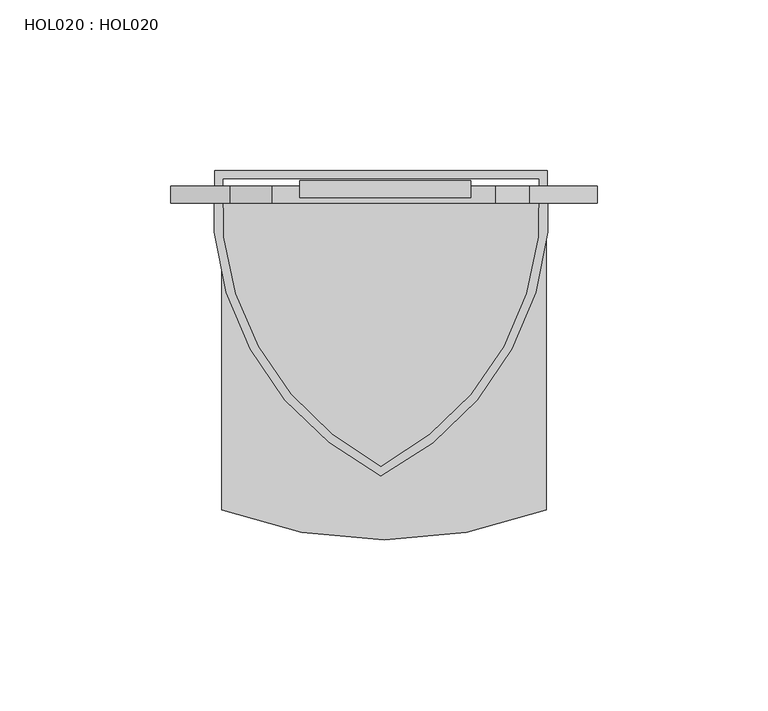
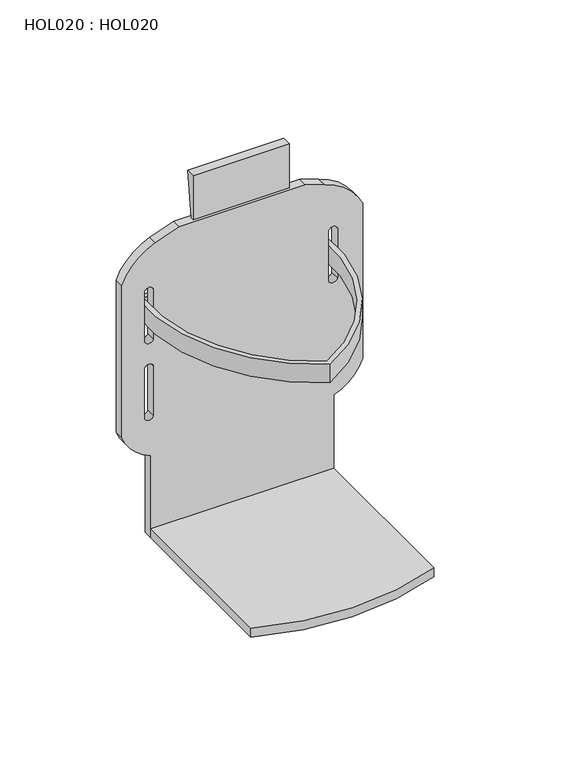
"""IFC4 building model written with IfcOpenShell, lengths in millimetres: proxy geometry, HOL020 : HOL020."""

from ifc_helpers import new_model, si_unit, point, frame, frame_2d, origin, place, context, project, spatial, polyline, circle_curve, trimmed, segment, composite_curve, outline, extrude, source, transform, mapped, element, save


def hol020_hol020_4b4f6fa3(model_context):
    return source(origin(), model_context, "Body", "SweptSolid", [
        extrude(outline(composite_curve([segment(polyline([(-5.0000003, -29.3999904), (-5.0000003, -5.1799912), (0.0, -5.1799912)]), True, "CONTINUOUS"), segment(trimmed(circle_curve(frame_2d((154.2648048, -37.8181816)), 157.67968), [point((0.0, -5.1799912))], [point((-3.1899999, -29.3999904))], True, "CARTESIAN"), True, "CONTINUOUS"), segment(polyline([(-3.1899999, -29.3999904), (-5.0000003, -29.3999904)]), True, "CONTINUOUS")], self_intersect=False)), frame((-25.0000002, 0.0, 0.0), z_axis=(1.0, 0.0, 0.0), x_axis=(0.0, 1.0, 0.0)), (0.0, 0.0, 1.0), 50.0000004),
        extrude(outline(composite_curve([segment(polyline([(-47.8900002, -96.5899981), (-47.8900002, -6.5900002), (47.1100015, -6.5900002), (47.1100015, -96.5899981)]), True, "CONTINUOUS"), segment(trimmed(circle_curve(frame_2d((-0.3899994, 27.628387)), 132.9904406), [point((47.1100015, -96.5899981))], [point((-47.8900002, -96.5899981))], False, "CARTESIAN"), True, "CONTINUOUS")], self_intersect=False)), frame((0.0, 0.0, -195.0), z_axis=(0.0, 0.0, 1.0), x_axis=(1.0, 0.0, 0.0)), (0.0, 0.0, 1.0), 5.0000037),
        extrude(outline(composite_curve([segment(polyline([(-195.0, -47.8900002), (-195.0, 47.1100015), (-149.7999928, 47.1100015)]), True, "CONTINUOUS"), segment(trimmed(circle_curve(frame_2d((-125.8268289, 38.1368349)), 25.5974668), [point((-149.7999928, 47.1100015))], [point((-134.7999954, 62.1099988))], False, "CARTESIAN"), True, "CONTINUOUS"), segment(polyline([(-134.7999954, 62.1099988), (-49.9999934, 62.1099988)]), True, "CONTINUOUS"), segment(trimmed(circle_curve(frame_2d((-63.103355, 33.5226544)), 31.4473265), [point((-49.9999934, 62.1099988))], [point((-32.8999902, 42.2800001))], False, "CARTESIAN"), True, "CONTINUOUS"), segment(polyline([(-32.8999902, 42.2800001), (-29.3999904, 32.3699991), (-29.3999904, -33.1500001), (-33.9423738, -45.4543901)]), True, "CONTINUOUS"), segment(trimmed(circle_curve(frame_2d((-61.5935091, -35.2464839)), 29.4751867), [point((-33.9423738, -45.4543901))], [point((-51.3649935, -62.8900021))], False, "CARTESIAN"), True, "CONTINUOUS"), segment(polyline([(-51.3649935, -62.8900021), (-134.7999954, -62.8900021)]), True, "CONTINUOUS"), segment(trimmed(circle_curve(frame_2d((-125.8268376, -38.9168424)), 25.5974597), [point((-134.7999954, -62.8900021))], [point((-149.7999973, -47.8900002))], False, "CARTESIAN"), True, "CONTINUOUS"), segment(polyline([(-149.7999973, -47.8900002), (-195.0, -47.8900002)]), True, "CONTINUOUS")], self_intersect=False), holes=[composite_curve([segment(polyline([(-59.0899909, -46.4600003), (-86.1699877, -46.4600003)]), True, "CONTINUOUS"), segment(trimmed(circle_curve(frame_2d((-85.5684324, -48.7849991)), 2.4015596), [point((-86.1699877, -46.4600003))], [point((-86.1699877, -51.109998))], True, "CARTESIAN"), True, "CONTINUOUS"), segment(polyline([(-86.1699877, -51.109998), (-59.0899909, -51.109998)]), True, "CONTINUOUS"), segment(trimmed(circle_curve(frame_2d((-59.6915462, -48.7849991)), 2.4015596), [point((-59.0899909, -51.109998))], [point((-59.0899909, -46.4600003))], True, "CARTESIAN"), True, "CONTINUOUS")], self_intersect=False), composite_curve([segment(trimmed(circle_curve(frame_2d((-59.6915491, 46.6949991)), 2.4015625), [point((-59.0899909, 44.3699979))], [point((-59.0899909, 49.0200002))], True, "CARTESIAN"), True, "CONTINUOUS"), segment(polyline([(-59.0899909, 49.0200002), (-86.1699877, 49.0200002)]), True, "CONTINUOUS"), segment(trimmed(circle_curve(frame_2d((-85.5684295, 46.6949991)), 2.4015625), [point((-86.1699877, 49.0200002))], [point((-86.1699877, 44.3699979))], True, "CARTESIAN"), True, "CONTINUOUS"), segment(polyline([(-86.1699877, 44.3699979), (-59.0899909, 44.3699979)]), True, "CONTINUOUS")], self_intersect=False), composite_curve([segment(polyline([(-101.2299878, -46.4600003), (-128.2999924, -46.4600003)]), True, "CONTINUOUS"), segment(trimmed(circle_curve(frame_2d((-127.6311522, -48.7849991)), 2.4192906), [point((-128.2999924, -46.4600003))], [point((-128.2999924, -51.109998))], True, "CARTESIAN"), True, "CONTINUOUS"), segment(polyline([(-128.2999924, -51.109998), (-101.2299878, -51.109998)]), True, "CONTINUOUS"), segment(trimmed(circle_curve(frame_2d((-101.8182456, -48.7849991)), 2.3982633), [point((-101.2299878, -51.109998))], [point((-101.2299878, -46.4600003))], True, "CARTESIAN"), True, "CONTINUOUS")], self_intersect=False)]), frame((0.0, -6.5900002, 0.0), z_axis=(0.0, 1.0, 0.0), x_axis=(0.0, 0.0, 1.0)), (0.0, 0.0, 1.0), 5.0000001),
        extrude(outline(composite_curve([segment(polyline([(-50.0299995, 2.9099999), (47.4699995, 2.9099999)]), True, "CONTINUOUS"), segment(trimmed(circle_curve(frame_2d((-41.5546961, -6.5989696)), 89.5310948), [point((47.4699995, 2.9099999))], [point((-1.28, -86.5599963))], False, "CARTESIAN"), True, "CONTINUOUS"), segment(trimmed(circle_curve(frame_2d((39.1011297, -6.5409766)), 89.6307935), [point((-1.28, -86.5599963))], [point((-50.0299995, 2.9099999))], False, "CARTESIAN"), True, "CONTINUOUS")], self_intersect=False), holes=[composite_curve([segment(polyline([(44.9700022, 0.41), (-47.5300022, 0.41)]), True, "CONTINUOUS"), segment(trimmed(circle_curve(frame_2d((38.668477, -7.0080666)), 86.5170823), [point((-47.5300022, 0.41))], [point((-1.28, -83.7500025))], True, "CARTESIAN"), True, "CONTINUOUS"), segment(trimmed(circle_curve(frame_2d((-41.0338925, -7.1150003)), 86.3324709), [point((-1.28, -83.7500025))], [point((44.9700022, 0.41))], True, "CARTESIAN"), True, "CONTINUOUS")], self_intersect=False)]), frame((0.0, 0.0, -77.629993), z_axis=(0.0, 0.0, 1.0), x_axis=(1.0, 0.0, 0.0)), (0.0, 0.0, 1.0), 10.0000028),
    ])


if __name__ == "__main__":
    model = new_model("IFC4")
    model_context = context("Model", 3, world=origin())
    ifc_project = project(units=[si_unit("LENGTHUNIT", "METRE", prefix="MILLI")], contexts=[model_context])
    site = spatial("IfcSite", under=ifc_project)
    building = spatial("IfcBuilding", under=site)
    placement = place(None, origin())
    hol020_hol020_shape = hol020_hol020_4b4f6fa3(model_context)
    element("IfcBuildingElementProxy", 1, Name="HOL020 : HOL020", ObjectType="HOL020 : HOL020", at=placement, inside=building, context=model_context, shape_type="MappedRepresentation", body=[
        mapped(hol020_hol020_shape, transform((0.0, 0.0, 0.0), x_axis=(1.0, 0.0, 0.0), y_axis=(0.0, 1.0, 0.0), z_axis=(0.0, 0.0, 1.0))),
    ])
    save(model, "model.ifc")
